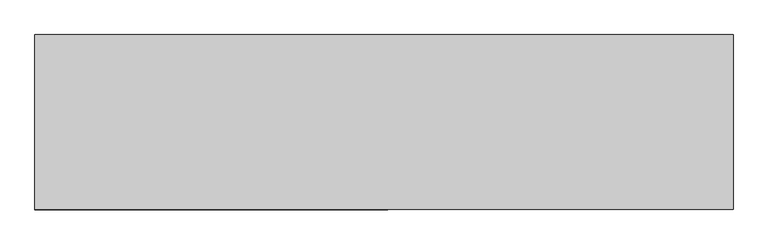
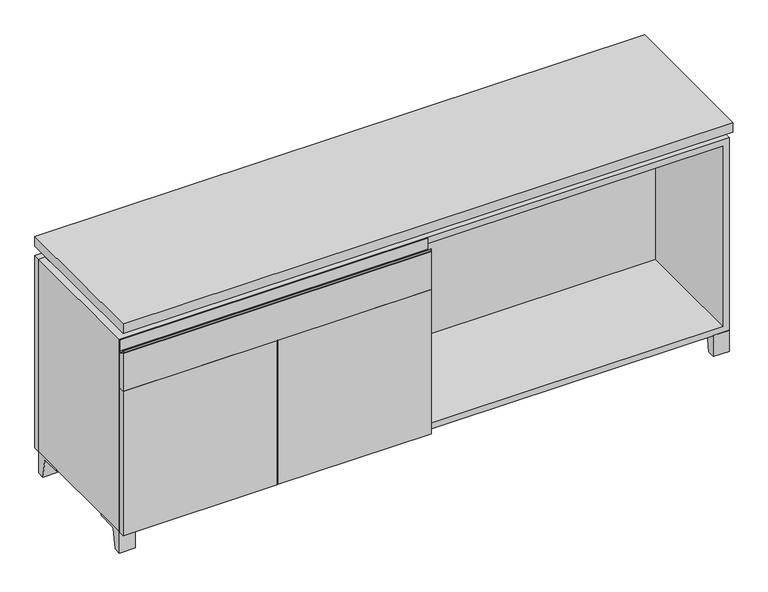
"""IFC4 building model written with IfcOpenShell, lengths in millimetres: furniture geometry."""

from ifc_helpers import new_model, si_unit, point, frame, frame_2d, origin, place, context, project, spatial, polyline, circle_curve, trimmed, segment, composite_curve, outline, extrude, faceted_brep, source, transform, mapped, element, save


def furniture_0fe79d61(model_context):
    return source(origin(), model_context, "Body", "SolidModel", [
        extrude(outline(composite_curve([segment(polyline([(-146.05, 633.4125), (-165.1, 644.525)]), True, "CONTINUOUS"), segment(trimmed(circle_curve(frame_2d((-163.9001571, 646.5818735)), 2.38125), [point((-165.1, 644.525))], [point((-166.2814071, 646.5818735))], False, "CARTESIAN"), True, "CONTINUOUS"), segment(polyline([(-166.2814071, 646.5818735), (-166.2814071, 651.66875)]), True, "CONTINUOUS"), segment(trimmed(circle_curve(frame_2d((-165.4876571, 651.66875)), 0.79375), [point((-166.2814071, 651.66875))], [point((-164.6939071, 651.66875))], False, "CARTESIAN"), True, "CONTINUOUS"), segment(polyline([(-164.6939071, 651.66875), (-164.6939071, 646.5818735)]), True, "CONTINUOUS"), segment(trimmed(circle_curve(frame_2d((-163.9001571, 646.5818735)), 0.79375), [point((-164.6939071, 646.5818735))], [point((-164.3001047, 645.896249))], True, "CARTESIAN"), True, "CONTINUOUS"), segment(polyline([(-164.3001047, 645.896249), (-152.4122905, 638.9616907)]), True, "CONTINUOUS"), segment(trimmed(circle_curve(frame_2d((-150.8125, 641.7041887)), 3.175), [point((-152.4122905, 638.9616907))], [point((-147.6375, 641.7041887))], True, "CARTESIAN"), True, "CONTINUOUS"), segment(polyline([(-147.6375, 641.7041887), (-147.6375, 675.48125)]), True, "CONTINUOUS"), segment(trimmed(circle_curve(frame_2d((-146.84375, 675.48125)), 0.79375), [point((-147.6375, 675.48125))], [point((-146.05, 675.48125))], False, "CARTESIAN"), True, "CONTINUOUS"), segment(polyline([(-146.05, 675.48125), (-146.05, 633.4125)]), True, "CONTINUOUS")], self_intersect=False)), frame((-912.7986094, 0.0, 0.0), z_axis=(1.0, 0.0, 0.0), x_axis=(0.0, 1.0, 0.0)), (0.0, 0.0, 1.0), 922.3375),
        extrude(outline(polyline([(-146.05, 523.875), (-165.1, 523.875), (-165.1, 644.525), (-146.05, 633.4125), (-146.05, 523.875)])), frame((-912.7986094, 0.0, 0.0), z_axis=(1.0, 0.0, 0.0), x_axis=(0.0, 1.0, 0.0)), (0.0, 0.0, 1.0), 922.3375),
        extrude(outline(composite_curve([segment(polyline([(44.9791531, 0.0), (22.225, 0.0), (22.225, 66.675), (117.475, 66.675), (117.475, 61.8963321), (60.6744655, 61.8963321)]), True, "CONTINUOUS"), segment(trimmed(circle_curve(frame_2d((60.6744655, 55.5463321)), 6.35), [point((60.6744655, 61.8963321))], [point((54.4108641, 56.5902656))], True, "CARTESIAN"), True, "CONTINUOUS"), segment(polyline([(54.4108641, 56.5902656), (44.9791531, 0.0)]), True, "CONTINUOUS")], self_intersect=False)), frame((-23.7986094, 0.0, 0.0), z_axis=(1.0, 0.0, 0.0), x_axis=(0.0, 1.0, 0.0)), (0.0, 0.0, 1.0), 47.625),
        extrude(outline(composite_curve([segment(polyline([(-123.2958469, 0.0), (-146.05, 0.0), (-146.05, 66.675), (-50.8, 66.675), (-50.8, 61.8963321), (-107.6005345, 61.8963321)]), True, "CONTINUOUS"), segment(trimmed(circle_curve(frame_2d((-107.6005345, 55.5463321)), 6.35), [point((-107.6005345, 61.8963321))], [point((-113.8641359, 56.5902656))], True, "CARTESIAN"), True, "CONTINUOUS"), segment(polyline([(-113.8641359, 56.5902656), (-123.2958469, 0.0)]), True, "CONTINUOUS")], self_intersect=False)), frame((865.2013906, 0.0, 0.0), z_axis=(1.0, 0.0, 0.0), x_axis=(0.0, 1.0, 0.0)), (0.0, 0.0, 1.0), 47.625),
        extrude(outline(composite_curve([segment(polyline([(250.2958469, 0.0), (240.8641359, 56.5902656)]), True, "CONTINUOUS"), segment(trimmed(circle_curve(frame_2d((234.6005345, 55.5463321)), 6.35), [point((240.8641359, 56.5902656))], [point((234.6005345, 61.8963321))], True, "CARTESIAN"), True, "CONTINUOUS"), segment(polyline([(234.6005345, 61.8963321), (177.8, 61.8963321), (177.8, 66.675), (273.05, 66.675), (273.05, 0.0), (250.2958469, 0.0)]), True, "CONTINUOUS")], self_intersect=False)), frame((865.2013906, 0.0, 0.0), z_axis=(1.0, 0.0, 0.0), x_axis=(0.0, 1.0, 0.0)), (0.0, 0.0, 1.0), 47.625),
        extrude(outline(composite_curve([segment(polyline([(-123.2958469, 0.0), (-146.05, 0.0), (-146.05, 66.675), (-50.8, 66.675), (-50.8, 61.8963321), (-107.6005345, 61.8963321)]), True, "CONTINUOUS"), segment(trimmed(circle_curve(frame_2d((-107.6005345, 55.5463321)), 6.35), [point((-107.6005345, 61.8963321))], [point((-113.8641359, 56.5902656))], True, "CARTESIAN"), True, "CONTINUOUS"), segment(polyline([(-113.8641359, 56.5902656), (-123.2958469, 0.0)]), True, "CONTINUOUS")], self_intersect=False)), frame((-912.7986094, 0.0, 0.0), z_axis=(1.0, 0.0, 0.0), x_axis=(0.0, 1.0, 0.0)), (0.0, 0.0, 1.0), 47.625),
        extrude(outline(composite_curve([segment(polyline([(250.2958469, 0.0), (240.8641359, 56.5902656)]), True, "CONTINUOUS"), segment(trimmed(circle_curve(frame_2d((234.6005345, 55.5463321)), 6.35), [point((240.8641359, 56.5902656))], [point((234.6005345, 61.8963321))], True, "CARTESIAN"), True, "CONTINUOUS"), segment(polyline([(234.6005345, 61.8963321), (177.8, 61.8963321), (177.8, 66.675), (273.05, 66.675), (273.05, 0.0), (250.2958469, 0.0)]), True, "CONTINUOUS")], self_intersect=False)), frame((-912.7986094, 0.0, 0.0), z_axis=(1.0, 0.0, 0.0), x_axis=(0.0, 1.0, 0.0)), (0.0, 0.0, 1.0), 47.625),
        faceted_brep([(-912.7986094, -146.05, 66.675), (912.8125, -146.05, 66.675), (912.8125, -146.05, 676.275), (-912.7986094, -146.05, 676.275), (-893.7486094, -146.05, 85.725), (-893.7486094, -146.05, 657.225), (893.7694453, -146.05, 657.225), (893.7486094, -146.05, 85.725), (-912.7986094, 273.05, 66.675), (-912.7986094, 273.05, 676.275), (-893.7486094, 273.05, 676.275), (-893.7486094, 273.05, 85.725), (893.7486094, 273.05, 85.725), (893.7486094, 273.05, 676.275), (912.8125, 273.05, 676.275), (912.8125, 273.05, 66.675), (893.7486094, 247.65, 676.275), (-893.7416641, 247.65, 676.275), (-893.7486094, 247.65, 657.225), (893.7486094, 247.65, 657.225)], [[[0, 1, 2, 3], [4, 5, 6, 7]], [[8, 9, 10, 11, 12, 13, 14, 15]], [[1, 0, 8, 15]], [[2, 1, 15, 14]], [[3, 2, 14, 13, 16, 17, 10, 9]], [[0, 3, 9, 8]], [[11, 10, 17, 18, 5, 4]], [[13, 12, 7, 6, 19, 16]], [[4, 7, 12, 11]], [[6, 5, 18, 19]], [[17, 16, 19, 18]]]),
        extrude(outline(polyline([(912.8263906, -165.1), (-912.7986094, -165.1), (-912.7986094, 292.1), (912.8263906, 292.1), (912.8263906, -165.1)])), frame((0.0, 0.0, 706.4375), z_axis=(0.0, 0.0, 1.0), x_axis=(1.0, 0.0, 0.0)), (0.0, 0.0, 1.0), 30.1625),
        faceted_brep([(7.9513906, -69.85, 706.4375), (7.9513906, -69.85, 676.275), (7.9513906, 53.975, 676.275), (7.9513906, 53.975, 706.4375), (7.9513906, 196.85, 676.275), (7.9513906, 196.85, 706.4375), (7.9513906, 73.025, 706.4375), (7.9513906, 73.025, 676.275), (-7.9236094, 196.85, 706.4375), (-7.9236094, 196.85, 676.275), (-7.9236094, 73.025, 676.275), (-7.9236094, 73.025, 706.4375), (-7.9236094, -69.85, 676.275), (-7.9236094, -69.85, 706.4375), (-7.9236094, 53.975, 706.4375), (-7.9236094, 53.975, 676.275), (-871.4958281, 73.025, 706.4375), (-871.5166641, 247.65, 706.4375), (-887.3916641, 247.65, 706.4375), (-887.3916641, -120.65, 706.4375), (-871.5166641, -120.65, 706.4375), (-871.5166641, 53.975, 706.4375), (871.5236094, 53.975, 706.4375), (871.5236094, -120.65, 706.4375), (887.3986094, -120.65, 706.4375), (887.3986094, 247.65, 706.4375), (871.5236094, 247.65, 706.4375), (871.5236094, 73.025, 706.4375), (-871.4958281, 53.975, 676.275), (-871.5166641, -120.65, 676.275), (-887.3916641, -120.65, 676.275), (-887.3916641, 247.65, 676.275), (-871.5166641, 247.65, 676.275), (-871.5166641, 73.025, 676.275), (871.5236094, 73.025, 676.275), (871.5236094, 247.65, 676.275), (887.3986094, 247.65, 676.275), (887.3986094, -120.65, 676.275), (871.5236094, -120.65, 676.275), (871.5236094, 53.975, 676.275)], [[[0, 1, 2, 3]], [[4, 5, 6, 7]], [[8, 9, 10, 11]], [[12, 13, 14, 15]], [[5, 8, 11, 16, 17, 18, 19, 20, 21, 14, 13, 0, 3, 22, 23, 24, 25, 26, 27, 6]], [[1, 12, 15, 28, 29, 30, 31, 32, 33, 10, 9, 4, 7, 34, 35, 36, 37, 38, 39, 2]], [[5, 4, 9, 8]], [[1, 0, 13, 12]], [[6, 27, 34, 7]], [[22, 3, 2, 39]], [[20, 29, 28, 21]], [[32, 17, 16, 33]], [[18, 31, 30, 19]], [[29, 20, 19, 30]], [[17, 32, 31, 18]], [[26, 35, 34, 27]], [[38, 23, 22, 39]], [[25, 24, 37, 36]], [[23, 38, 37, 24]], [[35, 26, 25, 36]], [[16, 11, 10, 33]], [[14, 21, 28, 15]]]),
        extrude(outline(polyline([(9.5388906, 203.2), (9.5388906, -146.05), (-9.5111094, -146.05), (-9.5111094, 203.2), (9.5388906, 203.2)])), frame((0.0, 0.0, 85.725), z_axis=(0.0, 0.0, 1.0), x_axis=(1.0, 0.0, 0.0)), (0.0, 0.0, 1.0), 571.5),
        extrude(outline(polyline([(912.8263906, 273.05), (-912.7986094, 273.05), (-912.7986094, 292.1), (912.8263906, 292.1), (912.8263906, 273.05)])), frame((0.0, 0.0, 66.675), z_axis=(0.0, 0.0, 1.0), x_axis=(1.0, 0.0, 0.0)), (0.0, 0.0, 1.0), 609.6),
        extrude(outline(polyline([(-893.7416641, 203.2), (-893.7416641, 209.55), (893.7694453, 209.55), (893.7694453, 203.2), (-893.7416641, 203.2)])), frame((0.0, 0.0, 85.725), z_axis=(0.0, 0.0, 1.0), x_axis=(1.0, 0.0, 0.0)), (0.0, 0.0, 1.0), 571.5),
        extrude(outline(polyline([(9.5388906, -165.1), (-450.0423594, -165.1), (-450.0423594, -146.05), (9.5388906, -146.05), (9.5388906, -165.1)])), frame((0.0, 0.0, 66.675), z_axis=(0.0, 0.0, 1.0), x_axis=(1.0, 0.0, 0.0)), (0.0, 0.0, 1.0), 457.2),
        extrude(outline(polyline([(-453.2173594, -165.1), (-912.7986094, -165.1), (-912.7986094, -146.05), (-453.2173594, -146.05), (-453.2173594, -165.1)])), frame((0.0, 0.0, 66.675), z_axis=(0.0, 0.0, 1.0), x_axis=(1.0, 0.0, 0.0)), (0.0, 0.0, 1.0), 457.2),
    ])


if __name__ == "__main__":
    model = new_model("IFC4")
    model_context = context("Model", 3, world=origin())
    ifc_project = project(units=[si_unit("LENGTHUNIT", "METRE", prefix="MILLI")], contexts=[model_context])
    site = spatial("IfcSite", under=ifc_project)
    building = spatial("IfcBuilding", under=site)
    placement = place(None, origin())
    furniture_shape = furniture_0fe79d61(model_context)
    element("IfcFurniture", 1, at=placement, inside=building, context=model_context, shape_type="MappedRepresentation", body=[
        mapped(furniture_shape, transform((0.0, 0.0, 0.0), x_axis=(1.0, 0.0, 0.0), y_axis=(0.0, 1.0, 0.0), z_axis=(0.0, 0.0, 1.0))),
    ])
    save(model, "model.ifc")
